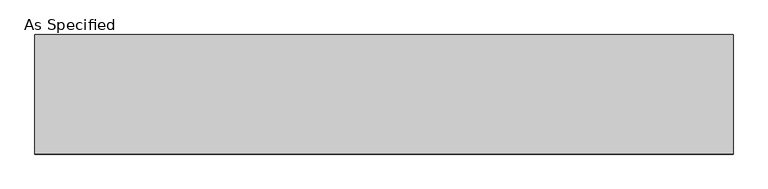
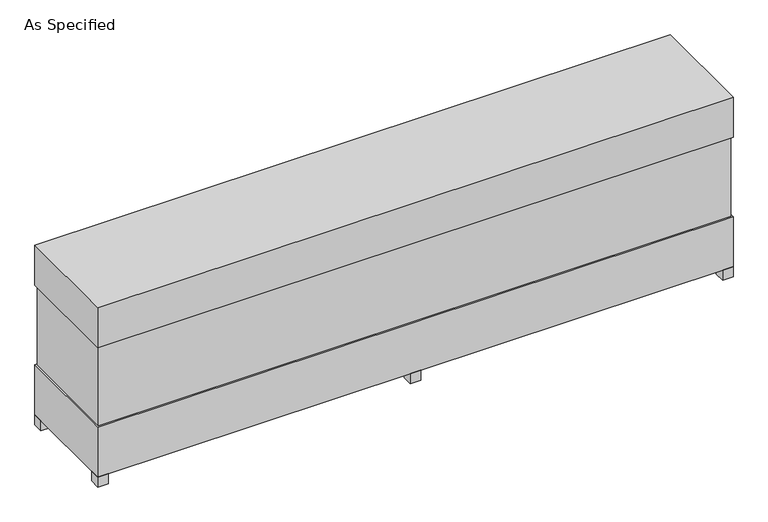
"""IFC4 building model written with IfcOpenShell, lengths in millimetres: proxy geometry, As Specified."""

from ifc_helpers import new_model, si_unit, frame, origin, origin_with_axes, place, context, project, spatial, polyline, outline, extrude, source, transform, mapped, element, save


def as_specified_3cc10340(model_context):
    return source(origin(), model_context, "Body", "SweptSolid", [
        extrude(outline(polyline([(2287.5875, 382.5875), (2287.5875, -382.5875), (-2287.5875, -382.5875), (-2287.5875, 382.5875), (2287.5875, 382.5875)])), frame((0.0, 0.0, 457.2), z_axis=(0.0, 0.0, 1.0), x_axis=(1.0, 0.0, 0.0)), (0.0, 0.0, 1.0), 609.6),
        extrude(outline(polyline([(2298.7, 393.7), (2298.7, -393.7), (-2298.7, -393.7), (-2298.7, 393.7), (2298.7, 393.7)])), frame((0.0, 0.0, 1066.8), z_axis=(0.0, 0.0, 1.0), x_axis=(1.0, 0.0, 0.0)), (0.0, 0.0, 1.0), 304.8),
        extrude(outline(polyline([(2184.4, 177.8), (2184.4, 101.6), (2108.2, 101.6), (2108.2, 177.8), (2184.4, 177.8)])), frame((0.0, 0.0, 50.8), z_axis=(0.0, 0.0, 1.0), x_axis=(1.0, 0.0, 0.0)), (0.0, 0.0, 1.0), 25.4),
        extrude(outline(polyline([(2184.4, -101.6), (2184.4, -177.8), (2108.2, -177.8), (2108.2, -101.6), (2184.4, -101.6)])), frame((0.0, 0.0, 50.8), z_axis=(0.0, 0.0, 1.0), x_axis=(1.0, 0.0, 0.0)), (0.0, 0.0, 1.0), 25.4),
        extrude(outline(polyline([(-2222.5, 393.7), (-2222.5, 317.5), (-2298.7, 317.5), (-2298.7, 393.7), (-2222.5, 393.7)])), origin_with_axes(), (0.0, 0.0, 1.0), 76.2),
        extrude(outline(polyline([(2298.7, 393.7), (2298.7, 317.5), (2222.5, 317.5), (2222.5, 393.7), (2298.7, 393.7)])), origin_with_axes(), (0.0, 0.0, 1.0), 76.2),
        extrude(outline(polyline([(2298.7, -317.5), (2298.7, -393.7), (2222.5, -393.7), (2222.5, -317.5), (2298.7, -317.5)])), origin_with_axes(), (0.0, 0.0, 1.0), 76.2),
        extrude(outline(polyline([(-2222.5, -317.5), (-2222.5, -393.7), (-2298.7, -393.7), (-2298.7, -317.5), (-2222.5, -317.5)])), origin_with_axes(), (0.0, 0.0, 1.0), 76.2),
        extrude(outline(polyline([(38.1, 393.7), (38.1, 317.5), (-38.1, 317.5), (-38.1, 393.7), (38.1, 393.7)])), origin_with_axes(), (0.0, 0.0, 1.0), 76.2),
        extrude(outline(polyline([(38.1, -317.5), (38.1, -393.7), (-38.1, -393.7), (-38.1, -317.5), (38.1, -317.5)])), origin_with_axes(), (0.0, 0.0, 1.0), 76.2),
        extrude(outline(polyline([(2298.7, 393.7), (2298.7, -393.7), (-2298.7, -393.7), (-2298.7, 393.7), (2298.7, 393.7)])), frame((0.0, 0.0, 76.2), z_axis=(0.0, 0.0, 1.0), x_axis=(1.0, 0.0, 0.0)), (0.0, 0.0, 1.0), 381.0),
    ])


if __name__ == "__main__":
    model = new_model("IFC4")
    model_context = context("Model", 3, world=origin())
    ifc_project = project(units=[si_unit("LENGTHUNIT", "METRE", prefix="MILLI")], contexts=[model_context])
    site = spatial("IfcSite", under=ifc_project)
    building = spatial("IfcBuilding", under=site)
    placement = place(None, origin())
    as_specified_shape = as_specified_3cc10340(model_context)
    element("IfcBuildingElementProxy", 1, Name="As Specified", ObjectType="As Specified", at=placement, inside=building, context=model_context, shape_type="MappedRepresentation", body=[
        mapped(as_specified_shape, transform((0.0, 0.0, 0.0), x_axis=(1.0, 0.0, 0.0), y_axis=(0.0, 1.0, 0.0), z_axis=(0.0, 0.0, 1.0))),
    ])
    save(model, "model.ifc")
